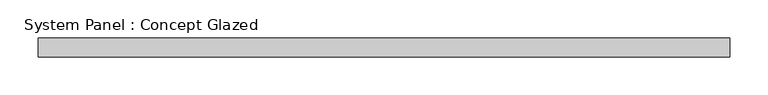
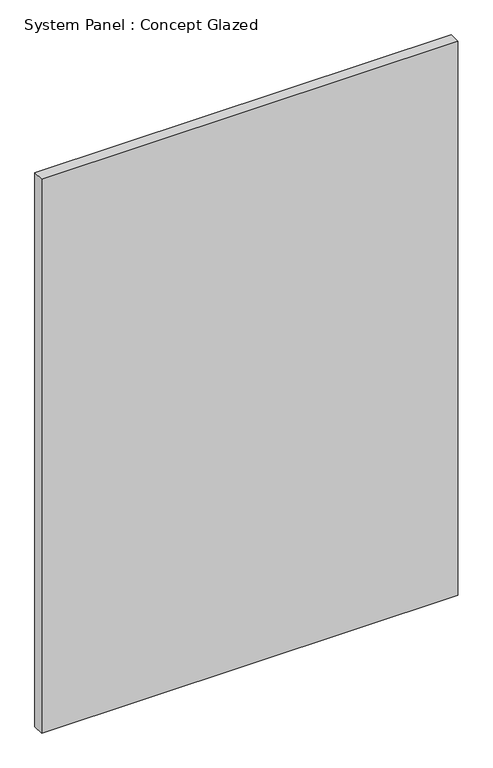
"""IFC4 building model written with IfcOpenShell, lengths in millimetres: plate geometry, System Panel : Concept Glazed."""

from ifc_helpers import new_model, si_unit, origin, origin_with_axes, place, context, project, spatial, polyline, outline, extrude, source, transform, mapped, element, save


def system_panel_concept_glazed_c2093657(model_context):
    return source(origin(), model_context, "Body", "SweptSolid", [
        extrude(outline(polyline([(454.375, 0.0), (-454.375, 0.0), (-454.375, 25.0), (454.375, 25.0), (454.375, 0.0)])), origin_with_axes(), (0.0, 0.0, 1.0), 1278.1058359),
    ])


if __name__ == "__main__":
    model = new_model("IFC4")
    model_context = context("Model", 3, world=origin())
    ifc_project = project(units=[si_unit("LENGTHUNIT", "METRE", prefix="MILLI")], contexts=[model_context])
    site = spatial("IfcSite", under=ifc_project)
    building = spatial("IfcBuilding", under=site)
    placement = place(None, origin())
    system_panel_concept_glazed_shape = system_panel_concept_glazed_c2093657(model_context)
    element("IfcPlate", 1, ObjectType="System Panel : Concept Glazed", at=placement, inside=building, context=model_context, shape_type="MappedRepresentation", body=[
        mapped(system_panel_concept_glazed_shape, transform((0.0, 0.0, 0.0), x_axis=(1.0, 0.0, 0.0), y_axis=(0.0, 1.0, 0.0), z_axis=(0.0, 0.0, 1.0))),
    ])
    save(model, "model.ifc")
